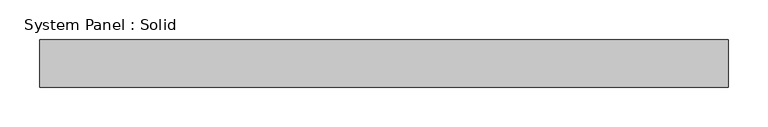
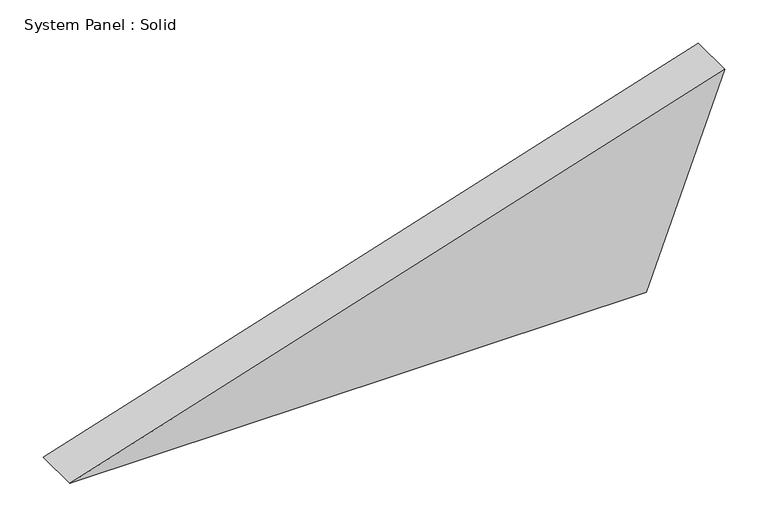
"""IFC4 building model written with IfcOpenShell, lengths in millimetres: plate geometry, System Panel : Solid."""

from ifc_helpers import new_model, si_unit, frame, origin, place, context, project, spatial, polyline, outline, extrude, source, transform, mapped, element, save


def system_panel_solid_5d318e49(model_context):
    return source(origin(), model_context, "Body", "SweptSolid", [
        extrude(outline(polyline([(0.0, -434.607961), (0.0, 330.5188029), (276.3067172, 434.607961), (0.0, -434.607961)])), frame((0.0, -10.5, 0.0), z_axis=(0.0, 1.0, 0.0), x_axis=(0.0, 0.0, 1.0)), (0.0, 0.0, 1.0), 60.0),
    ])


if __name__ == "__main__":
    model = new_model("IFC4")
    model_context = context("Model", 3, world=origin())
    ifc_project = project(units=[si_unit("LENGTHUNIT", "METRE", prefix="MILLI")], contexts=[model_context])
    site = spatial("IfcSite", under=ifc_project)
    building = spatial("IfcBuilding", under=site)
    placement = place(None, origin())
    system_panel_solid_shape = system_panel_solid_5d318e49(model_context)
    element("IfcPlate", 1, ObjectType="System Panel : Solid", at=placement, inside=building, context=model_context, shape_type="MappedRepresentation", body=[
        mapped(system_panel_solid_shape, transform((0.0, 0.0, 0.0), x_axis=(1.0, 0.0, 0.0), y_axis=(0.0, 1.0, 0.0), z_axis=(0.0, 0.0, 1.0))),
    ])
    save(model, "model.ifc")
